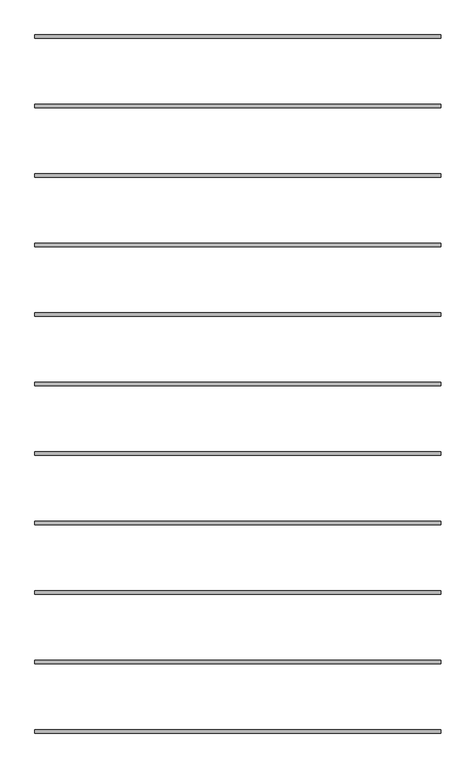
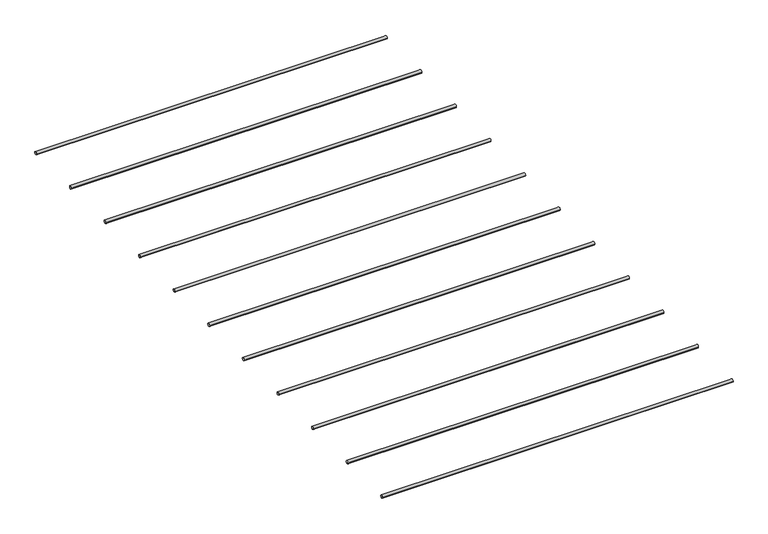
"""IFC4 building model written with IfcOpenShell, lengths in millimetres: reinforcing bar geometry."""

from ifc_helpers import new_model, si_unit, point, frame, frame_2d, origin, place, context, project, spatial, circle_curve, trimmed, segment, composite_curve, outline, extrude, source, transform, mapped, element, save


def reinforcing_bar_b6caf522(model_context):
    return source(origin(), model_context, "Body", "SweptSolid", [
        extrude(outline(composite_curve([segment(trimmed(circle_curve(frame_2d((2101.9752536, -45.0)), 5.0), [point((2096.9752536, -45.0))], [point((2106.9752536, -45.0))], False, "CARTESIAN"), True, "CONTINUOUS"), segment(trimmed(circle_curve(frame_2d((2101.9752536, -45.0)), 5.0), [point((2106.9752536, -45.0))], [point((2096.9752536, -45.0))], False, "CARTESIAN"), True, "CONTINUOUS")], self_intersect=False)), frame((120.0, 0.0, 0.0), z_axis=(1.0, 0.0, 0.0), x_axis=(0.0, 1.0, 0.0)), (0.0, 0.0, 1.0), 1170.0),
        extrude(outline(composite_curve([segment(trimmed(circle_curve(frame_2d((1901.9752536, -45.0)), 5.0), [point((1896.9752536, -45.0))], [point((1906.9752536, -45.0))], False, "CARTESIAN"), True, "CONTINUOUS"), segment(trimmed(circle_curve(frame_2d((1901.9752536, -45.0)), 5.0), [point((1906.9752536, -45.0))], [point((1896.9752536, -45.0))], False, "CARTESIAN"), True, "CONTINUOUS")], self_intersect=False)), frame((120.0, 0.0, 0.0), z_axis=(1.0, 0.0, 0.0), x_axis=(0.0, 1.0, 0.0)), (0.0, 0.0, 1.0), 1170.0),
        extrude(outline(composite_curve([segment(trimmed(circle_curve(frame_2d((1701.9752536, -45.0)), 5.0), [point((1696.9752536, -45.0))], [point((1706.9752536, -45.0))], False, "CARTESIAN"), True, "CONTINUOUS"), segment(trimmed(circle_curve(frame_2d((1701.9752536, -45.0)), 5.0), [point((1706.9752536, -45.0))], [point((1696.9752536, -45.0))], False, "CARTESIAN"), True, "CONTINUOUS")], self_intersect=False)), frame((120.0, 0.0, 0.0), z_axis=(1.0, 0.0, 0.0), x_axis=(0.0, 1.0, 0.0)), (0.0, 0.0, 1.0), 1170.0),
        extrude(outline(composite_curve([segment(trimmed(circle_curve(frame_2d((1501.9752536, -45.0)), 5.0), [point((1496.9752536, -45.0))], [point((1506.9752536, -45.0))], False, "CARTESIAN"), True, "CONTINUOUS"), segment(trimmed(circle_curve(frame_2d((1501.9752536, -45.0)), 5.0), [point((1506.9752536, -45.0))], [point((1496.9752536, -45.0))], False, "CARTESIAN"), True, "CONTINUOUS")], self_intersect=False)), frame((120.0, 0.0, 0.0), z_axis=(1.0, 0.0, 0.0), x_axis=(0.0, 1.0, 0.0)), (0.0, 0.0, 1.0), 1170.0),
        extrude(outline(composite_curve([segment(trimmed(circle_curve(frame_2d((1301.9752536, -45.0)), 5.0), [point((1296.9752536, -45.0))], [point((1306.9752536, -45.0))], False, "CARTESIAN"), True, "CONTINUOUS"), segment(trimmed(circle_curve(frame_2d((1301.9752536, -45.0)), 5.0), [point((1306.9752536, -45.0))], [point((1296.9752536, -45.0))], False, "CARTESIAN"), True, "CONTINUOUS")], self_intersect=False)), frame((120.0, 0.0, 0.0), z_axis=(1.0, 0.0, 0.0), x_axis=(0.0, 1.0, 0.0)), (0.0, 0.0, 1.0), 1170.0),
        extrude(outline(composite_curve([segment(trimmed(circle_curve(frame_2d((1101.9752536, -45.0)), 5.0), [point((1096.9752536, -45.0))], [point((1106.9752536, -45.0))], False, "CARTESIAN"), True, "CONTINUOUS"), segment(trimmed(circle_curve(frame_2d((1101.9752536, -45.0)), 5.0), [point((1106.9752536, -45.0))], [point((1096.9752536, -45.0))], False, "CARTESIAN"), True, "CONTINUOUS")], self_intersect=False)), frame((120.0, 0.0, 0.0), z_axis=(1.0, 0.0, 0.0), x_axis=(0.0, 1.0, 0.0)), (0.0, 0.0, 1.0), 1170.0),
        extrude(outline(composite_curve([segment(trimmed(circle_curve(frame_2d((901.9752536, -45.0)), 5.0), [point((896.9752536, -45.0))], [point((906.9752536, -45.0))], False, "CARTESIAN"), True, "CONTINUOUS"), segment(trimmed(circle_curve(frame_2d((901.9752536, -45.0)), 5.0), [point((906.9752536, -45.0))], [point((896.9752536, -45.0))], False, "CARTESIAN"), True, "CONTINUOUS")], self_intersect=False)), frame((120.0, 0.0, 0.0), z_axis=(1.0, 0.0, 0.0), x_axis=(0.0, 1.0, 0.0)), (0.0, 0.0, 1.0), 1170.0),
        extrude(outline(composite_curve([segment(trimmed(circle_curve(frame_2d((2301.9752536, -45.0)), 5.0), [point((2296.9752536, -45.0))], [point((2306.9752536, -45.0))], False, "CARTESIAN"), True, "CONTINUOUS"), segment(trimmed(circle_curve(frame_2d((2301.9752536, -45.0)), 5.0), [point((2306.9752536, -45.0))], [point((2296.9752536, -45.0))], False, "CARTESIAN"), True, "CONTINUOUS")], self_intersect=False)), frame((120.0, 0.0, 0.0), z_axis=(1.0, 0.0, 0.0), x_axis=(0.0, 1.0, 0.0)), (0.0, 0.0, 1.0), 1170.0),
        extrude(outline(composite_curve([segment(trimmed(circle_curve(frame_2d((501.9752536, -45.0)), 5.0), [point((496.9752536, -45.0))], [point((506.9752536, -45.0))], False, "CARTESIAN"), True, "CONTINUOUS"), segment(trimmed(circle_curve(frame_2d((501.9752536, -45.0)), 5.0), [point((506.9752536, -45.0))], [point((496.9752536, -45.0))], False, "CARTESIAN"), True, "CONTINUOUS")], self_intersect=False)), frame((120.0, 0.0, 0.0), z_axis=(1.0, 0.0, 0.0), x_axis=(0.0, 1.0, 0.0)), (0.0, 0.0, 1.0), 1170.0),
        extrude(outline(composite_curve([segment(trimmed(circle_curve(frame_2d((701.9752536, -45.0)), 5.0), [point((696.9752536, -45.0))], [point((706.9752536, -45.0))], False, "CARTESIAN"), True, "CONTINUOUS"), segment(trimmed(circle_curve(frame_2d((701.9752536, -45.0)), 5.0), [point((706.9752536, -45.0))], [point((696.9752536, -45.0))], False, "CARTESIAN"), True, "CONTINUOUS")], self_intersect=False)), frame((120.0, 0.0, 0.0), z_axis=(1.0, 0.0, 0.0), x_axis=(0.0, 1.0, 0.0)), (0.0, 0.0, 1.0), 1170.0),
        extrude(outline(composite_curve([segment(trimmed(circle_curve(frame_2d((2501.9752536, -45.0)), 5.0), [point((2496.9752536, -45.0))], [point((2506.9752536, -45.0))], False, "CARTESIAN"), True, "CONTINUOUS"), segment(trimmed(circle_curve(frame_2d((2501.9752536, -45.0)), 5.0), [point((2506.9752536, -45.0))], [point((2496.9752536, -45.0))], False, "CARTESIAN"), True, "CONTINUOUS")], self_intersect=False)), frame((120.0, 0.0, 0.0), z_axis=(1.0, 0.0, 0.0), x_axis=(0.0, 1.0, 0.0)), (0.0, 0.0, 1.0), 1170.0),
    ])


if __name__ == "__main__":
    model = new_model("IFC4")
    model_context = context("Model", 3, world=origin())
    ifc_project = project(units=[si_unit("LENGTHUNIT", "METRE", prefix="MILLI")], contexts=[model_context])
    site = spatial("IfcSite", under=ifc_project)
    building = spatial("IfcBuilding", under=site)
    placement = place(None, origin())
    reinforcing_bar_shape = reinforcing_bar_b6caf522(model_context)
    element("IfcReinforcingBar", 1, at=placement, inside=building, context=model_context, shape_type="MappedRepresentation", body=[
        mapped(reinforcing_bar_shape, transform((0.0, 0.0, 0.0), x_axis=(1.0, 0.0, 0.0), y_axis=(0.0, 1.0, 0.0), z_axis=(0.0, 0.0, 1.0))),
    ])
    save(model, "model.ifc")
